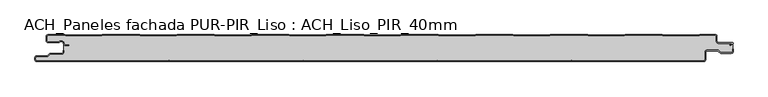
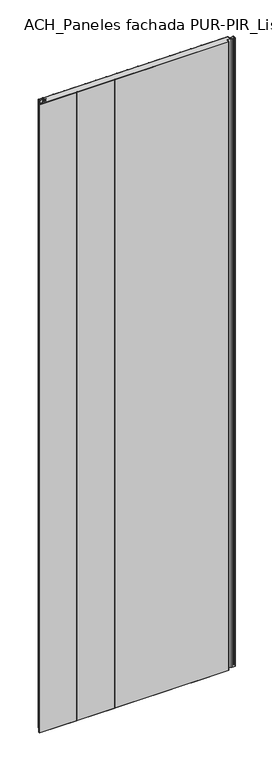
"""IFC4 building model written with IfcOpenShell, lengths in millimetres: plate geometry, ACH_Paneles fachada PUR-PIR_Liso : ACH_Liso_PIR_40mm."""

from ifc_helpers import new_model, si_unit, point, frame_2d, origin, origin_with_axes, place, context, project, spatial, polyline, circle_curve, trimmed, segment, composite_curve, outline, extrude, source, transform, mapped, element, save


def ach_paneles_fachada_pur_pir_liso_ach_liso_pir_40mm_2476e1c7(model_context):
    return source(origin(), model_context, "Body", "SweptSolid", [
        extrude(outline(composite_curve([segment(trimmed(circle_curve(frame_2d((-514.5, -37.5)), 2.5), [point((-514.5, -40.0))], [point((-517.0, -37.5))], False, "CARTESIAN"), True, "CONTINUOUS"), segment(polyline([(-517.0, -37.5), (-517.0, -34.5)]), True, "CONTINUOUS"), segment(trimmed(circle_curve(frame_2d((-514.5, -34.5)), 2.5), [point((-517.0, -34.5))], [point((-514.5, -32.0))], False, "CARTESIAN"), True, "CONTINUOUS"), segment(polyline([(-514.5, -32.0), (-498.5, -32.0), (-494.75, -28.25), (-477.0, -28.25)]), True, "CONTINUOUS"), segment(trimmed(circle_curve(frame_2d((-477.0, -26.25)), 2.0), [point((-477.0, -28.25))], [point((-475.0, -26.25))], True, "CARTESIAN"), True, "CONTINUOUS"), segment(polyline([(-475.0, -26.25), (-475.0, -23.25), (-474.2, -23.25), (-474.2, -26.25)]), True, "CONTINUOUS"), segment(trimmed(circle_curve(frame_2d((-477.0, -26.25)), 2.8), [point((-474.2, -26.25))], [point((-477.0, -29.05))], False, "CARTESIAN"), True, "CONTINUOUS"), segment(polyline([(-477.0, -29.05), (-494.4186292, -29.05), (-498.1686292, -32.8), (-514.5, -32.8)]), True, "CONTINUOUS"), segment(trimmed(circle_curve(frame_2d((-514.5, -34.5)), 1.7), [point((-514.5, -32.8))], [point((-516.2, -34.5))], True, "CARTESIAN"), True, "CONTINUOUS"), segment(polyline([(-516.2, -34.5), (-516.2, -37.5)]), True, "CONTINUOUS"), segment(trimmed(circle_curve(frame_2d((-514.5, -37.5)), 1.7), [point((-516.2, -37.5))], [point((-514.5, -39.2))], True, "CARTESIAN"), True, "CONTINUOUS"), segment(polyline([(-514.5, -39.2), (480.5, -39.2)]), True, "CONTINUOUS"), segment(trimmed(circle_curve(frame_2d((480.5, -37.5)), 1.7), [point((480.5, -39.2))], [point((482.2, -37.5))], True, "CARTESIAN"), True, "CONTINUOUS"), segment(polyline([(482.2, -37.5), (482.2, -26.0)]), True, "CONTINUOUS"), segment(trimmed(circle_curve(frame_2d((485.0, -26.0)), 2.8), [point((482.2, -26.0))], [point((485.0, -23.2))], False, "CARTESIAN"), True, "CONTINUOUS"), segment(polyline([(485.0, -23.2), (501.7886271, -23.2), (505.8492873, -26.95), (521.5, -26.95)]), True, "CONTINUOUS"), segment(trimmed(circle_curve(frame_2d((521.5, -25.25)), 1.7), [point((521.5, -26.95))], [point((523.2, -25.25))], True, "CARTESIAN"), True, "CONTINUOUS"), segment(polyline([(523.2, -25.25), (523.2, -21.75), (524.0, -21.75), (524.0, -25.25)]), True, "CONTINUOUS"), segment(trimmed(circle_curve(frame_2d((521.5, -25.25)), 2.5), [point((524.0, -25.25))], [point((521.5, -27.75))], False, "CARTESIAN"), True, "CONTINUOUS"), segment(polyline([(521.5, -27.75), (505.5363961, -27.75), (501.4757359, -24.0), (485.0, -24.0)]), True, "CONTINUOUS"), segment(trimmed(circle_curve(frame_2d((485.0, -26.0)), 2.0), [point((485.0, -24.0))], [point((483.0, -26.0))], True, "CARTESIAN"), True, "CONTINUOUS"), segment(polyline([(483.0, -26.0), (483.0, -37.5)]), True, "CONTINUOUS"), segment(trimmed(circle_curve(frame_2d((480.5, -37.5)), 2.5), [point((483.0, -37.5))], [point((480.5, -40.0))], False, "CARTESIAN"), True, "CONTINUOUS"), segment(polyline([(480.5, -40.0), (-514.5, -40.0)]), True, "CONTINUOUS")], self_intersect=False)), origin_with_axes(), (0.0, 0.0, 1.0), 3500.0),
        extrude(outline(composite_curve([segment(trimmed(circle_curve(frame_2d((-497.49499, -9.0180361)), 2.50501), [point((-497.49499, -11.5230461))], [point((-500.0, -9.0180361))], False, "CARTESIAN"), True, "CONTINUOUS"), segment(polyline([(-500.0, -9.0180361), (-500.0, -2.50501)]), True, "CONTINUOUS"), segment(trimmed(circle_curve(frame_2d((-497.49499, -2.50501)), 2.50501), [point((-500.0, -2.50501))], [point((-497.49499, 0.0))], False, "CARTESIAN"), True, "CONTINUOUS"), segment(polyline([(-497.49499, 0.0), (-472.2103007, 0.0), (-471.028188, -0.6012024), (-417.6391467, -0.6012024), (-416.457034, 0.0), (-360.8776353, 0.0), (-359.6955227, -0.6012024), (-306.3064814, -0.6012024), (-305.1243687, 0.0), (-249.54497, 0.0), (-248.3628573, -0.6012024), (-194.973816, -0.6012024), (-193.7917033, 0.0), (-138.2123047, 0.0), (-137.030192, -0.6012024), (-83.6411507, -0.6012024), (-82.459038, 0.0), (-26.8796393, 0.0), (-25.6975267, -0.6012024), (27.6915146, -0.6012024), (28.8736273, 0.0), (84.453026, 0.0), (85.6351387, -0.6012024), (139.02418, -0.6012024), (140.2062927, 0.0), (195.7856913, 0.0), (196.967804, -0.6012024), (250.3568453, -0.6012024), (251.538958, 0.0), (307.1183566, 0.0), (308.3004693, -0.6012024), (361.6895106, -0.6012024), (362.8716233, 0.0), (418.451022, 0.0), (419.6331347, -0.6012024), (473.022176, -0.6012024), (474.2042886, 0.0), (497.49499, 0.0)]), True, "CONTINUOUS"), segment(trimmed(circle_curve(frame_2d((497.49499, -2.50501)), 2.50501), [point((497.49499, 0.0))], [point((500.0, -2.50501))], False, "CARTESIAN"), True, "CONTINUOUS"), segment(polyline([(500.0, -2.50501), (500.0, -10.0200401)]), True, "CONTINUOUS"), segment(trimmed(circle_curve(frame_2d((502.004008, -10.0200401)), 2.004008), [point((500.0, -10.0200401))], [point((502.004008, -12.0240481))], True, "CARTESIAN"), True, "CONTINUOUS"), segment(polyline([(502.004008, -12.0240481), (522.96027, -12.0240481)]), True, "CONTINUOUS"), segment(trimmed(circle_curve(frame_2d((522.96027, -13.0490481)), 1.025), [point((522.96027, -12.0240481))], [point((523.47277, -13.9367241))], False, "CARTESIAN"), True, "CONTINUOUS"), segment(polyline([(523.47277, -13.9367241), (519.5390782, -16.2078422), (519.1390782, -15.5150218), (522.183956, -13.7570608)]), True, "CONTINUOUS"), segment(trimmed(circle_curve(frame_2d((521.933956, -13.3240481)), 0.5), [point((522.183956, -13.7570608))], [point((521.933956, -12.8240481))], True, "CARTESIAN"), True, "CONTINUOUS"), segment(polyline([(521.933956, -12.8240481), (502.004008, -12.8240481)]), True, "CONTINUOUS"), segment(trimmed(circle_curve(frame_2d((502.004008, -10.0200401)), 2.804008), [point((502.004008, -12.8240481))], [point((499.2, -10.0200401))], False, "CARTESIAN"), True, "CONTINUOUS"), segment(polyline([(499.2, -10.0200401), (499.2, -2.50501)]), True, "CONTINUOUS"), segment(trimmed(circle_curve(frame_2d((497.49499, -2.50501)), 1.70501), [point((499.2, -2.50501))], [point((497.49499, -0.8))], True, "CARTESIAN"), True, "CONTINUOUS"), segment(polyline([(497.49499, -0.8), (474.396035, -0.8), (473.2139223, -1.4012024), (419.4413883, -1.4012024), (418.2592756, -0.8), (363.0633697, -0.8), (361.881257, -1.4012024), (308.108723, -1.4012024), (306.9266103, -0.8), (251.7307044, -0.8), (250.5485917, -1.4012024), (196.7760576, -1.4012024), (195.5939449, -0.8), (140.398039, -0.8), (139.2159263, -1.4012024), (85.4433923, -1.4012024), (84.2612796, -0.8), (29.0653737, -0.8), (27.883261, -1.4012024), (-25.889273, -1.4012024), (-27.0713857, -0.8), (-82.2672916, -0.8), (-83.4494043, -1.4012024), (-137.2219384, -1.4012024), (-138.4040511, -0.8), (-193.599957, -0.8), (-194.7820696, -1.4012024), (-248.5546037, -1.4012024), (-249.7367164, -0.8), (-304.9326223, -0.8), (-306.114735, -1.4012024), (-359.887269, -1.4012024), (-361.0693817, -0.8), (-416.2652876, -0.8), (-417.4474003, -1.4012024), (-471.2199344, -1.4012024), (-472.4020471, -0.8), (-497.49499, -0.8)]), True, "CONTINUOUS"), segment(trimmed(circle_curve(frame_2d((-497.49499, -2.50501)), 1.70501), [point((-497.49499, -0.8))], [point((-499.2, -2.50501))], True, "CARTESIAN"), True, "CONTINUOUS"), segment(polyline([(-499.2, -2.50501), (-499.2, -9.0180361)]), True, "CONTINUOUS"), segment(trimmed(circle_curve(frame_2d((-497.49499, -9.0180361)), 1.70501), [point((-499.2, -9.0180361))], [point((-497.49499, -10.7230461))], True, "CARTESIAN"), True, "CONTINUOUS"), segment(polyline([(-497.49499, -10.7230461), (-481.8173283, -10.7230461)]), True, "CONTINUOUS"), segment(trimmed(circle_curve(frame_2d((-481.8173283, -9.0180361)), 1.70501), [point((-481.8173283, -10.7230461))], [point((-480.6895701, -10.2967936))], True, "CARTESIAN"), True, "CONTINUOUS"), segment(trimmed(circle_curve(frame_2d((-477.8407481, -13.5270541)), 4.307014), [point((-480.6895701, -10.2967936))], [point((-473.7934788, -12.0539686))], False, "CARTESIAN"), True, "CONTINUOUS"), segment(polyline([(-473.7934788, -12.0539686), (-473.0450711, -14.1102019)]), True, "CONTINUOUS"), segment(trimmed(circle_curve(frame_2d((-471.4428858, -13.5270541)), 1.70501), [point((-473.0450711, -14.1102019))], [point((-471.4428858, -15.2320641))], True, "CARTESIAN"), True, "CONTINUOUS"), segment(polyline([(-471.4428858, -15.2320641), (-466.4328657, -15.2320641), (-466.4328657, -16.0320641), (-471.4428858, -16.0320641)]), True, "CONTINUOUS"), segment(trimmed(circle_curve(frame_2d((-471.4428858, -13.5270541)), 2.50501), [point((-471.4428858, -16.0320641))], [point((-473.7968252, -14.383818))], False, "CARTESIAN"), True, "CONTINUOUS"), segment(polyline([(-473.7968252, -14.383818), (-474.5452329, -12.3275847)]), True, "CONTINUOUS"), segment(trimmed(circle_curve(frame_2d((-477.8407481, -13.5270541)), 3.507014), [point((-474.5452329, -12.3275847))], [point((-480.1604199, -10.8967936))], True, "CARTESIAN"), True, "CONTINUOUS"), segment(trimmed(circle_curve(frame_2d((-481.8173283, -9.0180361)), 2.50501), [point((-480.1604199, -10.8967936))], [point((-481.8173283, -11.5230461))], False, "CARTESIAN"), True, "CONTINUOUS"), segment(polyline([(-481.8173283, -11.5230461), (-497.49499, -11.5230461)]), True, "CONTINUOUS")], self_intersect=False)), origin_with_axes(), (0.0, 0.0, 1.0), 3500.0),
        extrude(outline(composite_curve([segment(polyline([(523.2, -12.8240481), (523.2, -25.25)]), True, "CONTINUOUS"), segment(trimmed(circle_curve(frame_2d((521.5, -25.25)), 1.7), [point((523.2, -25.25))], [point((521.5, -26.95))], False, "CARTESIAN"), True, "CONTINUOUS"), segment(polyline([(521.5, -26.95), (505.8492873, -26.95), (501.7886271, -23.2), (485.0, -23.2)]), True, "CONTINUOUS"), segment(trimmed(circle_curve(frame_2d((485.0, -26.0)), 2.8), [point((485.0, -23.2))], [point((482.2, -26.0))], True, "CARTESIAN"), True, "CONTINUOUS"), segment(polyline([(482.2, -26.0), (482.2, -37.5)]), True, "CONTINUOUS"), segment(trimmed(circle_curve(frame_2d((480.5, -37.5)), 1.7), [point((482.2, -37.5))], [point((480.5, -39.2))], False, "CARTESIAN"), True, "CONTINUOUS"), segment(polyline([(480.5, -39.2), (285.5, -39.2)]), True, "CONTINUOUS"), segment(trimmed(circle_curve(frame_2d((285.5, -37.5)), 1.7), [point((285.5, -39.2))], [point((284.0845596, -38.4415563))], False, "CARTESIAN"), True, "CONTINUOUS"), segment(trimmed(circle_curve(frame_2d((283.0, -39.1630095)), 1.302599), [point((284.0845596, -38.4415563))], [point((281.9154404, -38.4415563))], True, "CARTESIAN"), True, "CONTINUOUS"), segment(trimmed(circle_curve(frame_2d((280.5, -37.5)), 1.7), [point((281.9154404, -38.4415563))], [point((280.5, -39.2))], False, "CARTESIAN"), True, "CONTINUOUS"), segment(polyline([(280.5, -39.2), (85.5, -39.2)]), True, "CONTINUOUS"), segment(trimmed(circle_curve(frame_2d((85.5, -37.5)), 1.7), [point((85.5, -39.2))], [point((84.0845596, -38.4415563))], False, "CARTESIAN"), True, "CONTINUOUS"), segment(trimmed(circle_curve(frame_2d((83.0, -39.1630095)), 1.302599), [point((84.0845596, -38.4415563))], [point((81.9154404, -38.4415563))], True, "CARTESIAN"), True, "CONTINUOUS"), segment(trimmed(circle_curve(frame_2d((80.5, -37.5)), 1.7), [point((81.9154404, -38.4415563))], [point((80.5, -39.2))], False, "CARTESIAN"), True, "CONTINUOUS"), segment(polyline([(80.5, -39.2), (-114.5, -39.2)]), True, "CONTINUOUS"), segment(trimmed(circle_curve(frame_2d((-114.5, -37.5)), 1.7), [point((-114.5, -39.2))], [point((-115.9154404, -38.4415563))], False, "CARTESIAN"), True, "CONTINUOUS"), segment(trimmed(circle_curve(frame_2d((-117.0, -39.1630095)), 1.302599), [point((-115.9154404, -38.4415563))], [point((-118.0845596, -38.4415563))], True, "CARTESIAN"), True, "CONTINUOUS"), segment(trimmed(circle_curve(frame_2d((-119.5, -37.5)), 1.7), [point((-118.0845596, -38.4415563))], [point((-119.5, -39.2))], False, "CARTESIAN"), True, "CONTINUOUS"), segment(polyline([(-119.5, -39.2), (-314.5, -39.2)]), True, "CONTINUOUS"), segment(trimmed(circle_curve(frame_2d((-314.5, -37.5)), 1.7), [point((-314.5, -39.2))], [point((-315.9154404, -38.4415563))], False, "CARTESIAN"), True, "CONTINUOUS"), segment(trimmed(circle_curve(frame_2d((-317.0, -39.1630095)), 1.302599), [point((-315.9154404, -38.4415563))], [point((-318.0845596, -38.4415563))], True, "CARTESIAN"), True, "CONTINUOUS"), segment(trimmed(circle_curve(frame_2d((-319.5, -37.5)), 1.7), [point((-318.0845596, -38.4415563))], [point((-319.5, -39.2))], False, "CARTESIAN"), True, "CONTINUOUS"), segment(polyline([(-319.5, -39.2), (-514.5, -39.2)]), True, "CONTINUOUS"), segment(trimmed(circle_curve(frame_2d((-514.5, -37.5)), 1.7), [point((-514.5, -39.2))], [point((-516.2, -37.5))], False, "CARTESIAN"), True, "CONTINUOUS"), segment(polyline([(-516.2, -37.5), (-516.2, -34.5)]), True, "CONTINUOUS"), segment(trimmed(circle_curve(frame_2d((-514.5, -34.5)), 1.7), [point((-516.2, -34.5))], [point((-514.5, -32.8))], False, "CARTESIAN"), True, "CONTINUOUS"), segment(polyline([(-514.5, -32.8), (-498.1686292, -32.8), (-494.4186292, -29.05), (-477.0, -29.05)]), True, "CONTINUOUS"), segment(trimmed(circle_curve(frame_2d((-477.0, -26.25)), 2.8), [point((-477.0, -29.05))], [point((-474.2, -26.25))], True, "CARTESIAN"), True, "CONTINUOUS"), segment(polyline([(-474.2, -26.25), (-474.2, -11.2258973)]), True, "CONTINUOUS"), segment(trimmed(circle_curve(frame_2d((-477.8407481, -13.5270541)), 4.307014), [point((-474.2, -11.2258973))], [point((-480.6895701, -10.2967936))], True, "CARTESIAN"), True, "CONTINUOUS"), segment(trimmed(circle_curve(frame_2d((-481.8173283, -9.0180361)), 1.70501), [point((-480.6895701, -10.2967936))], [point((-481.8173283, -10.7230461))], False, "CARTESIAN"), True, "CONTINUOUS"), segment(polyline([(-481.8173283, -10.7230461), (-497.49499, -10.7230461)]), True, "CONTINUOUS"), segment(trimmed(circle_curve(frame_2d((-497.49499, -9.0180361)), 1.70501), [point((-497.49499, -10.7230461))], [point((-499.2, -9.0180361))], False, "CARTESIAN"), True, "CONTINUOUS"), segment(polyline([(-499.2, -9.0180361), (-499.2, -2.50501)]), True, "CONTINUOUS"), segment(trimmed(circle_curve(frame_2d((-497.49499, -2.50501)), 1.70501), [point((-499.2, -2.50501))], [point((-497.49499, -0.8))], False, "CARTESIAN"), True, "CONTINUOUS"), segment(polyline([(-497.49499, -0.8), (-472.4020471, -0.8), (-471.2199344, -1.4012024), (-417.4474003, -1.4012024), (-416.2652876, -0.8), (-361.0693817, -0.8), (-359.887269, -1.4012024), (-306.114735, -1.4012024), (-304.9326223, -0.8), (-249.7367164, -0.8), (-248.5546037, -1.4012024), (-194.7820696, -1.4012024), (-193.599957, -0.8), (-138.4040511, -0.8), (-137.2219384, -1.4012024), (-83.4494043, -1.4012024), (-82.2672916, -0.8), (-27.0713857, -0.8), (-25.889273, -1.4012024), (27.883261, -1.4012024), (29.0653737, -0.8), (84.2612796, -0.8), (85.4433923, -1.4012024), (139.2159263, -1.4012024), (140.398039, -0.8), (195.5939449, -0.8), (196.7760576, -1.4012024), (250.5485917, -1.4012024), (251.7307044, -0.8), (306.9266103, -0.8), (308.108723, -1.4012024), (361.881257, -1.4012024), (363.0633697, -0.8), (418.2592756, -0.8), (419.4413883, -1.4012024), (473.2139223, -1.4012024), (474.396035, -0.8), (497.49499, -0.8)]), True, "CONTINUOUS"), segment(trimmed(circle_curve(frame_2d((497.49499, -2.50501)), 1.70501), [point((497.49499, -0.8))], [point((499.2, -2.50501))], False, "CARTESIAN"), True, "CONTINUOUS"), segment(polyline([(499.2, -2.50501), (499.2, -10.0200401)]), True, "CONTINUOUS"), segment(trimmed(circle_curve(frame_2d((502.004008, -10.0200401)), 2.804008), [point((499.2, -10.0200401))], [point((502.004008, -12.8240481))], True, "CARTESIAN"), True, "CONTINUOUS"), segment(polyline([(502.004008, -12.8240481), (523.2, -12.8240481)]), True, "CONTINUOUS")], self_intersect=False)), origin_with_axes(), (0.0, 0.0, 1.0), 3500.0),
    ])


if __name__ == "__main__":
    model = new_model("IFC4")
    model_context = context("Model", 3, world=origin())
    ifc_project = project(units=[si_unit("LENGTHUNIT", "METRE", prefix="MILLI")], contexts=[model_context])
    site = spatial("IfcSite", under=ifc_project)
    building = spatial("IfcBuilding", under=site)
    placement = place(None, origin())
    ach_paneles_fachada_pur_pir_liso_ach_liso_pir_40mm_shape = ach_paneles_fachada_pur_pir_liso_ach_liso_pir_40mm_2476e1c7(model_context)
    element("IfcPlate", 1, ObjectType="ACH_Paneles fachada PUR-PIR_Liso : ACH_Liso_PIR_40mm", at=placement, inside=building, context=model_context, shape_type="MappedRepresentation", body=[
        mapped(ach_paneles_fachada_pur_pir_liso_ach_liso_pir_40mm_shape, transform((0.0, 0.0, 0.0), x_axis=(1.0, 0.0, 0.0), y_axis=(0.0, 1.0, 0.0), z_axis=(0.0, 0.0, 1.0))),
    ])
    save(model, "model.ifc")
